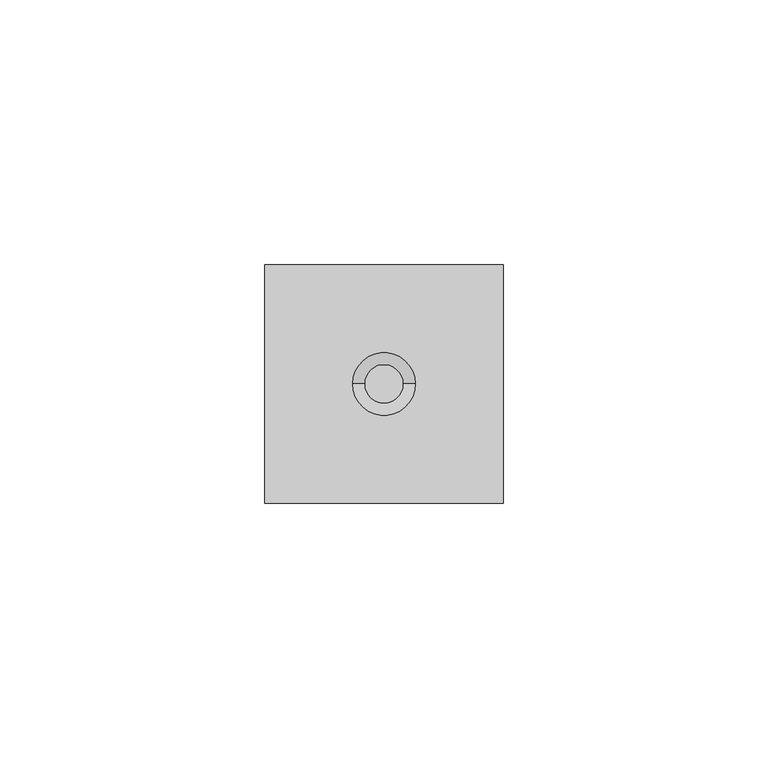
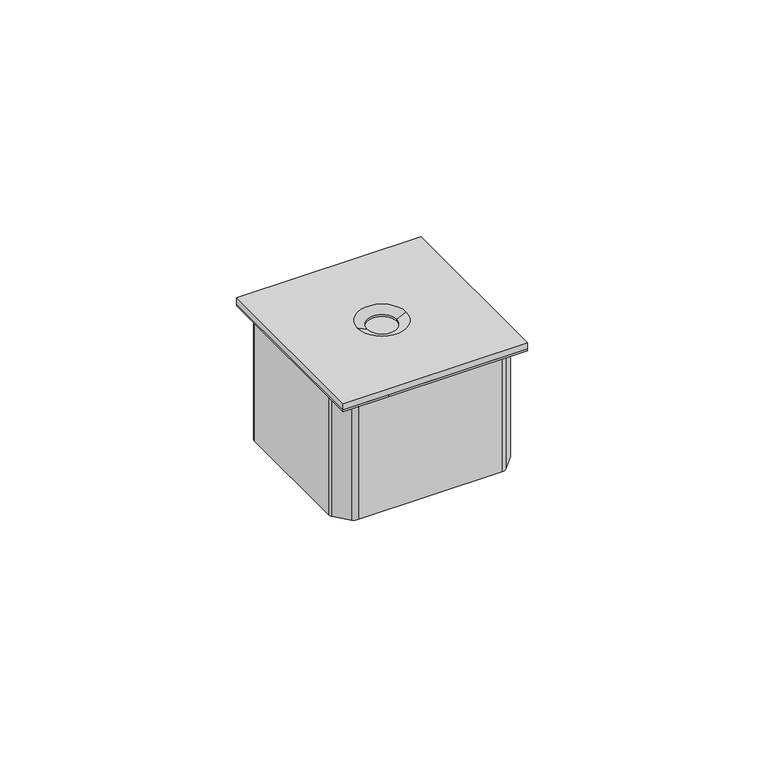
"""IFC4 building model written with IfcOpenShell, lengths in millimetres: proxy geometry."""

import ifcopenshell
import ifcopenshell.guid

model = None  # the IFC model being written
_history = None  # IfcOwnerHistory: only IFC2X3 demands one
_inside = {}  # id of a spatial element -> (the spatial element, [elements in it])
_under = {}  # id of a project, library or spatial element -> (it, [spatial elements below it])
_declared = {}  # id of a project -> (the project, [libraries it declares])
_typed = {}  # id of a type object -> (the type object, [elements of that type])
_made_of = {}  # id of a material, layer set ... -> (it, [elements and type objects made of it])


def new_model(schema):
    """Start an empty IFC model of exactly this schema.

    Asked for "IFC4X3", IfcOpenShell would pick the latest addendum, in which some entities
    have other attributes; the version numbers below select the first issue.
    IFC2X3 requires an IfcOwnerHistory on every rooted entity: one is made here for all.
    """
    global model, _history
    if schema == "IFC4X3":
        model = ifcopenshell.file(schema_version=(4, 3, 0, 0))
    else:
        model = ifcopenshell.file(schema=schema)
    _inside.clear()
    _under.clear()
    _declared.clear()
    _typed.clear()
    _made_of.clear()
    _history = None
    if model.schema == "IFC2X3":
        org = make("IfcOrganization", Name="unknown")
        user = make(
            "IfcPersonAndOrganization",
            ThePerson=make("IfcPerson", FamilyName="unknown"),
            TheOrganization=org,
        )
        app = make(
            "IfcApplication",
            ApplicationDeveloper=org,
            Version="unknown",
            ApplicationFullName="unknown",
            ApplicationIdentifier="unknown",
        )
        _history = make(
            "IfcOwnerHistory",
            OwningUser=user,
            OwningApplication=app,
            ChangeAction="ADDED",
            CreationDate=0,
        )
    return model


def make(cls, **values):
    """One entity of the class cls with the attributes given. An attribute that is None is left unset."""
    return model.create_entity(
        cls, **{name: value for name, value in values.items() if value is not None}
    )


def rooted(cls, **values):
    """An entity with a GlobalId (a new one), such as an element, a storey or a relation."""
    return make(cls, GlobalId=ifcopenshell.guid.new(), OwnerHistory=_history, **values)


def si_unit(unit_type, name, prefix=None):
    """IfcSIUnit, for example si_unit("LENGTHUNIT", "METRE", prefix="MILLI")."""
    return make("IfcSIUnit", UnitType=unit_type, Prefix=prefix, Name=name)


def assignment(units):
    """IfcUnitAssignment: the units of a project."""
    return None if units is None else make("IfcUnitAssignment", Units=units)


def point(xyz):
    """IfcCartesianPoint."""
    return None if xyz is None else make("IfcCartesianPoint", Coordinates=xyz)


def direction(xyz):
    """IfcDirection."""
    return None if xyz is None else make("IfcDirection", DirectionRatios=xyz)


def frame(location, z_axis=None, x_axis=None):
    """IfcAxis2Placement3D, a coordinate frame: its origin and axes. An axis left out is left unset."""
    return make(
        "IfcAxis2Placement3D",
        Location=point(location),
        Axis=direction(z_axis),
        RefDirection=direction(x_axis),
    )


def frame_2d(location, x_axis=None):
    """IfcAxis2Placement2D, a coordinate frame in the plane: its origin and x axis."""
    return make(
        "IfcAxis2Placement2D", Location=point(location), RefDirection=direction(x_axis)
    )


def origin():
    """The frame at (0, 0, 0) with its axes left unset."""
    return frame((0.0, 0.0, 0.0))


def origin_with_axes():
    """The frame at (0, 0, 0) with the z axis (0, 0, 1) and the x axis (1, 0, 0) written out."""
    return frame((0.0, 0.0, 0.0), z_axis=(0.0, 0.0, 1.0), x_axis=(1.0, 0.0, 0.0))


def place(relative_to, where):
    """IfcLocalPlacement: puts the frame where relative to a parent placement (None: the world)."""
    return make(
        "IfcLocalPlacement", PlacementRelTo=relative_to, RelativePlacement=where
    )


def context(
    kind, dimensions, precision=None, world=None, true_north=None, identifier=None
):
    """IfcGeometricRepresentationContext, for example the 3D "Model" context."""
    return make(
        "IfcGeometricRepresentationContext",
        ContextIdentifier=identifier,
        ContextType=kind,
        CoordinateSpaceDimension=dimensions,
        Precision=precision,
        WorldCoordinateSystem=world,
        TrueNorth=true_north,
    )


def project(units=None, contexts=None):
    """IfcProject with its units and contexts."""
    return rooted(
        "IfcProject",
        Name="project",
        RepresentationContexts=contexts,
        UnitsInContext=assignment(units),
    )


def spatial(cls, under=None, at=None, **own):
    """A site, building, storey or space (cls), placed at a placement, below another one or the project."""
    s = rooted(cls, ObjectPlacement=at, **own)
    if under is not None:
        _under.setdefault(under.id(), (under, []))[1].append(s)
    return s


def polyline(points):
    """IfcPolyline through the points."""
    return make("IfcPolyline", Points=[point(p) for p in points])


def circle_curve(where, radius):
    """IfcCircle in the frame where."""
    return make("IfcCircle", Position=where, Radius=radius)


def trimmed(basis, trim1, trim2, sense, master):
    """IfcTrimmedCurve: the piece of a basis curve between two trims."""
    return make(
        "IfcTrimmedCurve",
        BasisCurve=basis,
        Trim1=trim1,
        Trim2=trim2,
        SenseAgreement=sense,
        MasterRepresentation=master,
    )


def segment(curve, same_sense, transition):
    """IfcCompositeCurveSegment."""
    return make(
        "IfcCompositeCurveSegment",
        Transition=transition,
        SameSense=same_sense,
        ParentCurve=curve,
    )


def composite_curve(segments, self_intersect=None):
    """IfcCompositeCurve: segments joined end to end."""
    return make("IfcCompositeCurve", Segments=segments, SelfIntersect=self_intersect)


def outline(outer, holes=None, kind="AREA"):
    """IfcArbitraryClosedProfileDef: a profile drawn as a closed curve; with holes, ...WithVoids."""
    if holes is None:
        return make("IfcArbitraryClosedProfileDef", ProfileType=kind, OuterCurve=outer)
    return make(
        "IfcArbitraryProfileDefWithVoids",
        ProfileType=kind,
        OuterCurve=outer,
        InnerCurves=holes,
    )


def extrude(swept, where, along, depth):
    """IfcExtrudedAreaSolid: the profile swept, set in the frame where, extruded along a direction by depth."""
    return make(
        "IfcExtrudedAreaSolid",
        SweptArea=swept,
        Position=where,
        ExtrudedDirection=direction(along),
        Depth=depth,
    )


def shape(context_of_items, identifier, shape_type, items):
    """IfcShapeRepresentation: the items that make up one representation, for example the "Body"."""
    return make(
        "IfcShapeRepresentation",
        ContextOfItems=context_of_items,
        RepresentationIdentifier=identifier,
        RepresentationType=shape_type,
        Items=items,
    )


def source(mapping_origin, context_of_items, identifier, shape_type, items):
    """IfcRepresentationMap: a shape defined once, which mapped items show again and again."""
    return make(
        "IfcRepresentationMap",
        MappingOrigin=mapping_origin,
        MappedRepresentation=shape(context_of_items, identifier, shape_type, items),
    )


def transform(
    local_origin,
    x_axis=None,
    y_axis=None,
    z_axis=None,
    scale=None,
    scale2=None,
    scale3=None,
    uniform=True,
):
    """IfcCartesianTransformationOperator3D, or its non-uniform kind. x_axis, y_axis, z_axis: its Axis1, 2, 3."""
    if uniform:
        return make(
            "IfcCartesianTransformationOperator3D",
            Axis1=direction(x_axis),
            Axis2=direction(y_axis),
            LocalOrigin=point(local_origin),
            Scale=scale,
            Axis3=direction(z_axis),
        )
    return make(
        "IfcCartesianTransformationOperator3DnonUniform",
        Axis1=direction(x_axis),
        Axis2=direction(y_axis),
        LocalOrigin=point(local_origin),
        Scale=scale,
        Axis3=direction(z_axis),
        Scale2=scale2,
        Scale3=scale3,
    )


def mapped(mapping_source, mapping_target):
    """IfcMappedItem: shows the shape of a source again, moved by a transform."""
    return make(
        "IfcMappedItem", MappingSource=mapping_source, MappingTarget=mapping_target
    )


def made_of(thing, what):
    """Note that an element or type object is made of a material, layer set ...; save() writes the relation."""
    if what is not None:
        _made_of.setdefault(what.id(), (what, []))[1].append(thing)
    return thing


def element(
    cls,
    number,
    at=None,
    inside=None,
    cuts=None,
    type_object=None,
    material=None,
    context=None,
    identifier="Body",
    shape_type=None,
    held_by="IfcProductDefinitionShape",
    body=None,
    shapes=None,
    **own,
):
    """One element of the class cls, such as IfcWall. Its Tag is "e" and its number.

    at: its placement. inside: the storey or other place that contains it. cuts: it is an
    opening in that element (IfcRelVoidsElement). A single representation is given by context,
    identifier, shape_type and body (its items); several are given by shapes. held_by: the class
    of the entity that holds the representations. save() writes the other relations.
    """
    e = rooted(cls, Tag="e%d" % number, ObjectPlacement=at, **own)
    if body is not None:
        shapes = [shape(context, identifier, shape_type, body)]
    if shapes is not None:
        e.Representation = make(held_by, Representations=shapes)
    if inside is not None:
        _inside.setdefault(inside.id(), (inside, []))[1].append(e)
    if cuts is not None:
        rooted(
            "IfcRelVoidsElement", RelatingBuildingElement=cuts, RelatedOpeningElement=e
        )
    if type_object is not None:
        _typed.setdefault(type_object.id(), (type_object, []))[1].append(e)
    return made_of(e, material)


def aggregate(whole, parts):
    """IfcRelAggregates: a whole, such as a stair, and the parts it consists of."""
    return rooted("IfcRelAggregates", RelatingObject=whole, RelatedObjects=parts)


def save(model, path):
    """Write the relations noted so far, then the file.

    IfcRelAggregates (storeys below a building ...), IfcRelContainedInSpatialStructure (elements
    in a storey), IfcRelDefinesByType, IfcRelAssociatesMaterial and IfcRelDeclares: one each for
    every whole, place, type object, material and project.
    """
    for whole, parts in _under.values():
        aggregate(whole, parts)
    for where, things in _inside.values():
        rooted(
            "IfcRelContainedInSpatialStructure",
            RelatedElements=things,
            RelatingStructure=where,
        )
    for kind, things in _typed.values():
        rooted("IfcRelDefinesByType", RelatedObjects=things, RelatingType=kind)
    for what, things in _made_of.values():
        rooted("IfcRelAssociatesMaterial", RelatedObjects=things, RelatingMaterial=what)
    for by, libraries in _declared.values():
        rooted("IfcRelDeclares", RelatingContext=by, RelatedDefinitions=libraries)
    model.write(path)


def plane_surface(at):
    """IfcPlane: the flat surface through the origin of the frame at, square to its z axis."""
    return make("IfcPlane", Position=at)


def revolved_surface(curve, axis_point, axis_direction):
    """IfcSurfaceOfRevolution: the curve turned about the line through axis_point along axis_direction."""
    return make(
        "IfcSurfaceOfRevolution",
        SweptCurve=make("IfcArbitraryOpenProfileDef", ProfileType="CURVE", Curve=curve),
        AxisPosition=make("IfcAxis1Placement", Location=point(axis_point), Axis=direction(axis_direction)),
    )


def advanced_brep(points, edges, surfaces, faces):
    """IfcAdvancedBrep: a solid bounded by faces that lie on surfaces and meet in shared edges.

    An edge is (start, end): straight between two places in points (the first is 0);
    or (start, end, curve); or (start, end, curve, False) where it runs against its curve.
    A face is (place in surfaces, loops), or (place, loops, False) where it looks against
    its surface's normal. A loop lists edges by number (the first is 1), with a minus sign
    where the edge is run from its end to its start. The first loop is the outer one.
    """
    corners = [point(p) for p in points]
    vertices = [make("IfcVertexPoint", VertexGeometry=c) for c in corners]
    made = []
    for start, end, *more in edges:
        made.append(
            make(
                "IfcEdgeCurve",
                EdgeStart=vertices[start],
                EdgeEnd=vertices[end],
                EdgeGeometry=more[0] if more else make("IfcPolyline", Points=[corners[start], corners[end]]),
                SameSense=more[1] if len(more) > 1 else True,
            )
        )
    hull = []
    for where, loops, *sense in faces:
        bounds = []
        for j, loop in enumerate(loops):
            ring = [make("IfcOrientedEdge", EdgeElement=made[abs(k) - 1], Orientation=k > 0) for k in loop]
            bounds.append(
                make(
                    "IfcFaceOuterBound" if j == 0 else "IfcFaceBound",
                    Bound=make("IfcEdgeLoop", EdgeList=ring),
                    Orientation=True,
                )
            )
        hull.append(make("IfcAdvancedFace", Bounds=bounds, FaceSurface=surfaces[where], SameSense=sense[0] if sense else True))
    return make("IfcAdvancedBrep", Outer=make("IfcClosedShell", CfsFaces=hull))


def electrical_fixtures_6420f31f(model_context):
    return source(origin(), model_context, "Body", "SolidModel", [
        advanced_brep(
        [(0.0, 0.0, 2.0865762), (45.0, 0.0, 2.0865762), (45.0, 45.0, 2.0865762), (0.0, 45.0, 2.0865762), (28.4127826, 22.5, 2.0865762), (16.5872174, 22.5, 2.0865762), (0.0, 0.0, 0.4631422), (0.0, 45.0, 0.4631422), (45.0, 45.0, 0.4631422), (45.0, 0.0, 0.4631422), (18.8291807, 22.5, 0.4631422), (26.1708193, 22.5, 0.4631422), (26.1708193, 22.5, 1.0150176), (18.8291807, 22.5, 1.0150176)],
        [
            (0, 1),
            (1, 2),
            (2, 3),
            (3, 0),
            (4, 5, circle_curve(frame((22.5, 22.5, 2.0865762), z_axis=(0.0, 0.0, -1.0), x_axis=(1.0, 0.0, 0.0)), 5.9127826)),
            (5, 4, circle_curve(frame((22.5, 22.5, 2.0865762), z_axis=(0.0, 0.0, -1.0), x_axis=(-1.0, 0.0, 0.0)), 5.9127826)),
            (6, 7),
            (7, 8),
            (8, 9),
            (9, 6),
            (10, 11, circle_curve(frame((22.5, 22.5, 0.4631422), z_axis=(0.0, 0.0, 1.0), x_axis=(1.0, 0.0, 0.0)), 3.6708193)),
            (11, 10, circle_curve(frame((22.5, 22.5, 0.4631422), z_axis=(0.0, 0.0, 1.0), x_axis=(1.0, 0.0, 0.0)), 3.6708193)),
            (0, 6),
            (9, 1),
            (8, 2),
            (7, 3),
            (4, 12),
            (12, 13, circle_curve(frame((22.5, 22.5, 1.0150176), z_axis=(0.0, 0.0, -1.0), x_axis=(1.0, 0.0, 0.0)), 3.6708193)),
            (13, 5),
            (13, 12, circle_curve(frame((22.5, 22.5, 1.0150176), z_axis=(0.0, 0.0, -1.0), x_axis=(-1.0, 0.0, 0.0)), 3.6708193)),
            (10, 13),
            (12, 11),
        ],
        [
            plane_surface(frame((11.0865768, 0.0, 2.0865762), z_axis=(0.0, 0.0, 1.0), x_axis=(1.0, 0.0, 0.0))),
            plane_surface(frame((11.0865768, 0.0, 0.4631422), z_axis=(0.0, 0.0, -1.0), x_axis=(-1.0, 0.0, 0.0))),
            plane_surface(frame((0.0, 0.0, 2.0865762), z_axis=(0.0, -1.0, 0.0), x_axis=(0.0, 0.0, -1.0))),
            plane_surface(frame((45.0, 0.0, 2.0865762), z_axis=(1.0, 0.0, 0.0), x_axis=(0.0, 0.0, -1.0))),
            plane_surface(frame((45.0, 45.0, 2.0865762), z_axis=(0.0, 1.0, 0.0), x_axis=(0.0, 0.0, -1.0))),
            plane_surface(frame((0.0, 45.0, 2.0865762), z_axis=(-1.0, 0.0, 0.0), x_axis=(0.0, 0.0, -1.0))),
            revolved_surface(polyline([(28.4127826, 22.5, 2.0865762), (26.170819278954966, 22.5, 1.0150175999999997)]), (22.5, 22.5, -0.7394705), (0.0, 0.0, 1.0)),
            revolved_surface(polyline([(26.170819299999998, 22.5, 1.0150176), (26.170819299999998, 22.5, 0.4631422)]), (22.5, 22.5, 0.0), (0.0, 0.0, 1.0)),
        ],
        [
            (0, [[1, 2, 3, 4], [5, 6]]),
            (1, [[7, 8, 9, 10], [11, 12]]),
            (2, [[-1, 13, -10, 14]]),
            (3, [[-2, -14, -9, 15]]),
            (4, [[-3, -15, -8, 16]]),
            (5, [[-4, -16, -7, -13]]),
            (6, [[17, 18, 19, -5]]),
            (6, [[-17, -6, -19, 20]]),
            (7, [[21, -18, 22, -11]]),
            (7, [[-21, -12, -22, -20]]),
        ],
    ),
        extrude(outline(composite_curve([segment(trimmed(circle_curve(frame_2d((22.9785709, 22.0163771)), 28.0250427), [point((0.6708855, 38.9801677))], [point((3.6496058, 42.3090883))], False, "CARTESIAN"), True, "CONTINUOUS"), segment(trimmed(circle_curve(frame_2d((5.0058625, 40.8852084)), 1.9664349), [point((3.6496058, 42.3090883))], [point((5.0058625, 42.8516432))], False, "CARTESIAN"), True, "CONTINUOUS"), segment(polyline([(5.0058625, 42.8516432), (39.9941375, 42.8516432)]), True, "CONTINUOUS"), segment(trimmed(circle_curve(frame_2d((39.9941375, 40.8852084)), 1.9664349), [point((39.9941375, 42.8516432))], [point((41.3503942, 42.3090883))], False, "CARTESIAN"), True, "CONTINUOUS"), segment(trimmed(circle_curve(frame_2d((22.0214291, 22.0163771)), 28.0250427), [point((41.3503942, 42.3090883))], [point((44.3291145, 38.9801677))], False, "CARTESIAN"), True, "CONTINUOUS"), segment(trimmed(circle_curve(frame_2d((43.3665201, 38.2481666)), 1.2093029), [point((44.3291145, 38.9801677))], [point((44.575823, 38.2481666))], False, "CARTESIAN"), True, "CONTINUOUS"), segment(polyline([(44.575823, 38.2481666), (44.575823, 6.7518334)]), True, "CONTINUOUS"), segment(trimmed(circle_curve(frame_2d((43.3665201, 6.7518334)), 1.2093029), [point((44.575823, 6.7518334))], [point((44.3291145, 6.0198323))], False, "CARTESIAN"), True, "CONTINUOUS"), segment(trimmed(circle_curve(frame_2d((22.0214291, 22.9836229)), 28.0250427), [point((44.3291145, 6.0198323))], [point((41.3503942, 2.6909117))], False, "CARTESIAN"), True, "CONTINUOUS"), segment(trimmed(circle_curve(frame_2d((39.9941375, 4.1147916)), 1.9664349), [point((41.3503942, 2.6909117))], [point((39.9941375, 2.1483568))], False, "CARTESIAN"), True, "CONTINUOUS"), segment(polyline([(39.9941375, 2.1483568), (5.0058625, 2.1483568)]), True, "CONTINUOUS"), segment(trimmed(circle_curve(frame_2d((5.0058625, 4.1147916)), 1.9664349), [point((5.0058625, 2.1483568))], [point((3.6496058, 2.6909117))], False, "CARTESIAN"), True, "CONTINUOUS"), segment(trimmed(circle_curve(frame_2d((22.9785709, 22.9836229)), 28.0250427), [point((3.6496058, 2.6909117))], [point((0.6708855, 6.0198323))], False, "CARTESIAN"), True, "CONTINUOUS"), segment(trimmed(circle_curve(frame_2d((1.6334799, 6.7518334)), 1.2093029), [point((0.6708855, 6.0198323))], [point((0.424177, 6.7518334))], False, "CARTESIAN"), True, "CONTINUOUS"), segment(polyline([(0.424177, 6.7518334), (0.424177, 38.2481666)]), True, "CONTINUOUS"), segment(trimmed(circle_curve(frame_2d((1.6334799, 38.2481666)), 1.2093029), [point((0.424177, 38.2481666))], [point((0.6708855, 38.9801677))], False, "CARTESIAN"), True, "CONTINUOUS")], self_intersect=False)), frame((0.0, 0.0, -30.8336547), z_axis=(0.0, 0.0, 1.0), x_axis=(1.0, 0.0, 0.0)), (0.0, 0.0, 1.0), 30.8336547),
        extrude(outline(polyline([(0.0, 0.0), (0.0, 45.0), (12.9957362, 45.0), (45.0, 45.0), (45.0, 0.0), (11.0865768, 0.0), (0.0, 0.0)])), origin_with_axes(), (0.0, 0.0, 1.0), 0.4631422),
    ])


if __name__ == "__main__":
    model = new_model("IFC4")
    model_context = context("Model", 3, world=origin())
    ifc_project = project(units=[si_unit("LENGTHUNIT", "METRE", prefix="MILLI")], contexts=[model_context])
    site = spatial("IfcSite", under=ifc_project)
    building = spatial("IfcBuilding", under=site)
    placement = place(None, origin())
    electrical_fixtures_shape = electrical_fixtures_6420f31f(model_context)
    element("IfcBuildingElementProxy", 1, Name="Electrical Fixtures", at=placement, inside=building, context=model_context, shape_type="MappedRepresentation", body=[
        mapped(electrical_fixtures_shape, transform((0.0, 0.0, 0.0), x_axis=(1.0, 0.0, 0.0), y_axis=(0.0, 1.0, 0.0), z_axis=(0.0, 0.0, 1.0))),
    ])
    save(model, "model.ifc")
